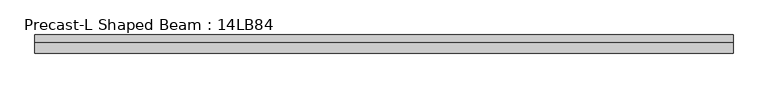
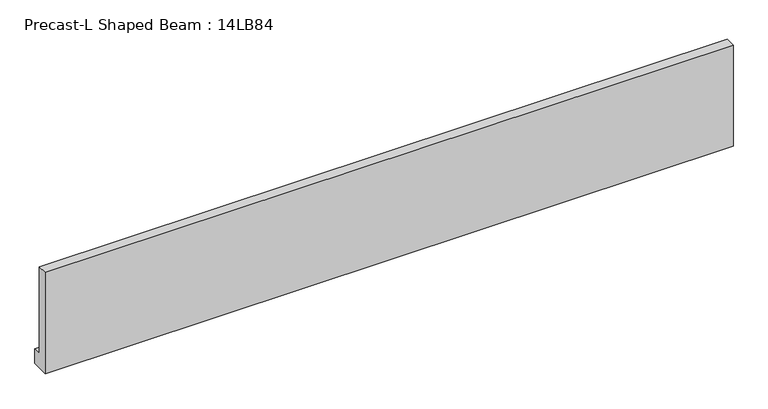
"""IFC4 building model written with IfcOpenShell, lengths in millimetres: beam geometry, Precast-L Shaped Beam : 14LB84."""

from ifc_helpers import new_model, si_unit, frame, origin, place, context, project, spatial, polyline, outline, extrude, source, transform, mapped, element, save


def precast_l_shaped_beam_14lb84_ab635e70(model_context):
    return source(origin(), model_context, "Body", "SweptSolid", [
        extrude(outline(polyline([(-177.8, -1066.8), (-177.8, 1066.8), (25.4, 1066.8), (25.4, -762.0), (177.8, -762.0), (177.8, -1066.8), (-177.8, -1066.8)])), frame((-7715.25, 0.0, 0.0), z_axis=(1.0, 0.0, 0.0), x_axis=(0.0, 1.0, 0.0)), (0.0, 0.0, 1.0), 13716.0),
    ])


if __name__ == "__main__":
    model = new_model("IFC4")
    model_context = context("Model", 3, world=origin())
    ifc_project = project(units=[si_unit("LENGTHUNIT", "METRE", prefix="MILLI")], contexts=[model_context])
    site = spatial("IfcSite", under=ifc_project)
    building = spatial("IfcBuilding", under=site)
    placement = place(None, origin())
    precast_l_shaped_beam_14lb84_shape = precast_l_shaped_beam_14lb84_ab635e70(model_context)
    element("IfcBeam", 1, ObjectType="Precast-L Shaped Beam : 14LB84", at=placement, inside=building, context=model_context, shape_type="MappedRepresentation", body=[
        mapped(precast_l_shaped_beam_14lb84_shape, transform((0.0, 0.0, 0.0), x_axis=(1.0, 0.0, 0.0), y_axis=(0.0, 1.0, 0.0), z_axis=(0.0, 0.0, 1.0))),
    ])
    save(model, "model.ifc")
